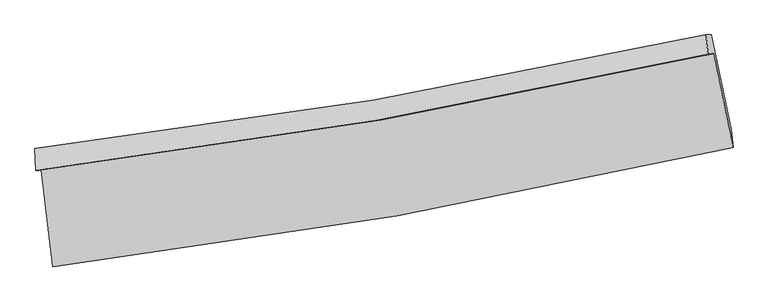
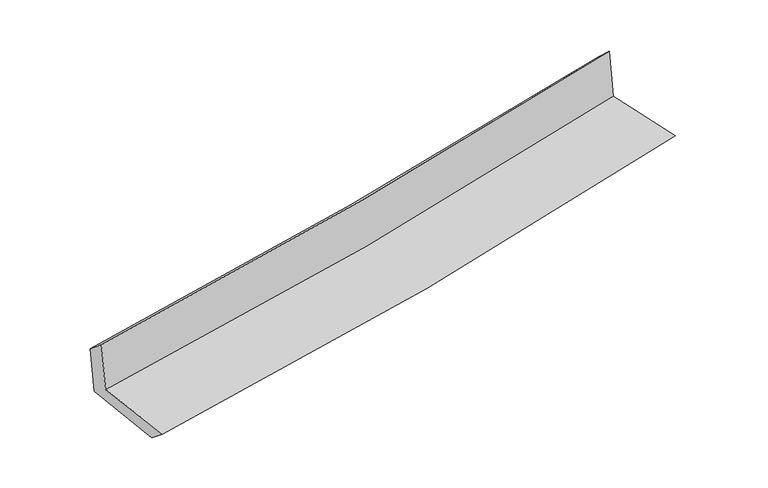
"""IFC4 building model written with IfcOpenShell, lengths in millimetres: proxy geometry."""

from ifc_helpers import new_model, si_unit, frame, origin, place, context, project, spatial, source, transform, mapped, element, save
from ifc_brep_helpers import plane_surface, spline_curve, spline_surface, advanced_brep


def generic_models_c8413103(model_context):
    return source(origin(), model_context, "Body", "AdvancedBrep", [
        advanced_brep(
        [(-2337.2301636, -1879.818896, 1668.5165101), (-2259.5818909, -2546.9088353, 1662.7786805), (2404.9705802, -1725.6045854, 2107.3768632), (2271.9308645, -1082.840967, 2107.5652674), (-2374.6729914, -1884.5106711, 2072.8382052), (2234.216114, -1087.5765063, 2511.8611782), (-2380.6637021, -1733.4316843, 1950.7217803), (2218.8751233, -953.6333993, 2382.522325), (-2344.8246576, -1733.5304396, 1569.3651964), (2254.9309401, -953.6271346, 2005.7856646), (-2264.958908, -2404.3252071, 1544.582394), (2391.5883141, -1605.2081532, 1986.8647259)],
        [
            (0, 1),
            (1, 2, spline_curve(3, [(-2259.5818909, -2546.9088353, 1662.7786805), (-1469.638886889, -2450.390344377, 1733.64429887), (-683.574587307, -2333.138374637, 1806.367503121), (871.181463425, -2058.863685397, 1954.612285793), (1639.967987556, -1902.347571821, 2030.08847618), (2404.9705802, -1725.6045854, 2107.3768632)], [4, 2, 4], [0.0, 7.806326991321767, 15.516693480002559])),
            (2, 3),
            (3, 0, spline_curve(3, [(2271.9308645, -1082.840967, 2107.5652674), (1515.5492591, -1253.497257754, 2031.184928699), (755.658922797, -1404.94900522, 1956.622320427), (-780.640206206, -1671.089315653, 1810.227207271), (-1557.136879321, -1785.296877889, 1738.440229806), (-2337.2301636, -1879.818896, 1668.5165101)], [4, 2, 4], [0.0, 7.710366488680791, 15.516693480002559])),
            (4, 0),
            (3, 5),
            (5, 4, spline_curve(3, [(2234.216114, -1087.5765063, 2511.8611782), (1477.266058438, -1258.300405262, 2442.082126072), (717.112120381, -1409.782564003, 2370.8426955), (-819.104002854, -1675.909217611, 2224.538281311), (-1595.246433457, -1790.071780836, 2149.436720902), (-2374.6729914, -1884.5106711, 2072.8382052)], [4, 2, 4], [0.0, 7.661882539740322, 15.41912216798856])),
            (6, 4),
            (5, 7),
            (7, 6, spline_curve(3, [(2218.8751233, -953.6333993, 2382.522325), (1463.025022755, -1122.989345382, 2318.745638562), (704.194045624, -1272.372915444, 2251.120399055), (-828.910903138, -1532.805908842, 2107.283275519), (-1603.259534618, -1643.355100576, 2030.97500023), (-2380.6637021, -1733.4316843, 1950.7217803)], [4, 2, 4], [0.0, 7.651429016161481, 15.39808501996233])),
            (8, 6),
            (7, 9),
            (9, 8, spline_curve(3, [(2254.9309401, -953.6271346, 2005.7856646), (1499.835536935, -1123.006217882, 1932.92985568), (741.366400349, -1272.410071957, 1860.356734284), (-791.800966276, -1532.878143464, 1714.876164461), (-1566.583695822, -1643.442058009, 1641.975796807), (-2344.8246576, -1733.5304396, 1569.3651964)], [4, 2, 4], [0.0, 7.641691697928851, 15.378489196267727])),
            (10, 8),
            (9, 11),
            (11, 10, spline_curve(3, [(2391.5883141, -1605.2081532, 1986.8647259), (1626.223263939, -1771.65445222, 1913.264360003), (857.913268736, -1921.164248171, 1839.834192473), (-694.195378777, -2187.960794488, 1692.402485577), (-1478.067790924, -2304.82334974, 1618.405209265), (-2264.958908, -2404.3252071, 1544.582394)], [4, 2, 4], [0.0, 7.690243494786987, 15.47619704852832])),
            (1, 10),
            (11, 2),
        ],
        [
            spline_surface(3, 3, [[(-2337.2301636, -1879.818896, 1668.5165101), (-1557.136879422, -1785.296877818, 1738.440229871), (-780.640206228, -1671.089315571, 1810.227207361), (755.658922818, -1404.949005301, 1956.622320338), (1515.549258974, -1253.497257845, 2031.184928633), (2271.9308645, -1082.840967, 2107.5652674)], [(-2311.347406041, -2102.182209123, 1666.603900229), (-1527.97088189, -2006.994700043, 1736.84158624), (-748.284999921, -1891.772335274, 1808.940639256), (794.166436323, -1622.920565302, 1955.95230886), (1557.02216848, -1469.780695817, 2030.819444453), (2316.277436388, -1297.095506472, 2107.502466003)], [(-2285.464648459, -2324.545522177, 1664.691290371), (-1498.804884336, -2228.692522198, 1735.242942623), (-715.929793568, -2112.455355003, 1807.654071133), (832.673949875, -1840.892125328, 1955.282297363), (1598.495078023, -1686.064133773, 2030.453960266), (2360.624008312, -1511.350045928, 2107.439664597)], [(-2259.5818909, -2546.9088353, 1662.7786805), (-1469.638886804, -2450.390344423, 1733.644298992), (-683.574587262, -2333.138374706, 1806.367503028), (871.18146338, -2058.863685329, 1954.612285885), (1639.967987529, -1902.347571746, 2030.088476086), (2404.9705802, -1725.6045854, 2107.3768632)]], [4, 4], [4, 2, 4], [0.0, 2.1868441708544366], [0.0, 7.806326991321767, 15.516693480002559]),
            spline_surface(3, 3, [[(-2374.6729914, -1884.5106711, 2072.8382052), (-1595.246433389, -1790.071780786, 2149.436720912), (-819.104002949, -1675.909217739, 2224.538281365), (717.112120474, -1409.782563877, 2370.842695447), (1477.266058494, -1258.300405314, 2442.082126005), (2234.216114, -1087.5765063, 2511.8611782)], [(-2362.192048809, -1882.946746047, 1938.064306831), (-1582.543248742, -1788.480146443, 2012.437890562), (-806.282737362, -1674.302583679, 2086.434590009), (729.961054602, -1408.171377681, 2232.769237056), (1490.027125316, -1256.69935615, 2305.116393542), (2246.787697496, -1085.997993193, 2377.095874594)], [(-2349.711106191, -1881.382821053, 1803.290408469), (-1569.840064068, -1786.888512161, 1875.439060221), (-793.461471815, -1672.695949631, 1948.330898717), (742.80998869, -1406.560191497, 2094.695778729), (1502.788192151, -1255.098307008, 2168.150661096), (2259.359281004, -1084.419480107, 2242.330571006)], [(-2337.2301636, -1879.818896, 1668.5165101), (-1557.136879422, -1785.296877818, 1738.440229871), (-780.640206228, -1671.089315571, 1810.227207361), (755.658922818, -1404.949005301, 1956.622320338), (1515.549258974, -1253.497257845, 2031.184928633), (2271.9308645, -1082.840967, 2107.5652674)]], [4, 4], [4, 2, 4], [0.0, 1.3650902301645402], [0.0, 7.757239628248238, 15.41912216798856]),
            spline_surface(3, 3, [[(-2380.6637021, -1733.4316843, 1950.7217803), (-1603.259534613, -1643.355100674, 2030.975000332), (-828.910903203, -1532.805908928, 2107.28327563), (704.194045688, -1272.372915359, 2251.120398946), (1463.025022704, -1122.989345428, 2318.745638535), (2218.8751233, -953.6333993, 2382.522325)], [(-2378.666798524, -1783.791346584, 1991.427255274), (-1600.588500863, -1692.260660729, 2070.462240533), (-825.641936441, -1580.507011883, 2146.368277555), (708.500070627, -1318.17613155, 2291.027831127), (1467.772034626, -1168.093032074, 2359.85780102), (2223.988786859, -998.281101651, 2425.635276062)], [(-2376.669894976, -1834.151008816, 2032.132730226), (-1597.917467139, -1741.166220731, 2109.949480711), (-822.372969711, -1628.208114784, 2185.45327944), (712.806095535, -1363.979347686, 2330.935263266), (1472.519046572, -1213.196718668, 2400.96996352), (2229.102450441, -1042.928803949, 2468.748227138)], [(-2374.6729914, -1884.5106711, 2072.8382052), (-1595.246433389, -1790.071780786, 2149.436720912), (-819.104002949, -1675.909217739, 2224.538281365), (717.112120474, -1409.782563877, 2370.842695447), (1477.266058494, -1258.300405314, 2442.082126005), (2234.216114, -1087.5765063, 2511.8611782)]], [4, 4], [4, 2, 4], [0.0, 0.6035894942798319], [0.0, 7.746656003800849, 15.39808501996233]),
            spline_surface(3, 3, [[(-2344.8246576, -1733.5304396, 1569.3651964), (-1566.583695837, -1643.442058022, 1641.975796709), (-791.80096632, -1532.878143569, 1714.876164547), (741.366400392, -1272.410071853, 1860.356734199), (1499.835536837, -1123.006217993, 1932.929855738), (2254.9309401, -953.6271346, 2005.7856646)], [(-2356.771005788, -1733.497521141, 1696.484057707), (-1578.80897545, -1643.413072214, 1771.642197924), (-804.170945298, -1532.854065344, 1845.678534885), (728.975615473, -1272.397686343, 1990.611289091), (1487.56536549, -1123.000593795, 2061.535116673), (2242.912334531, -953.629222824, 2131.364551402)], [(-2368.717353912, -1733.464602759, 1823.602918993), (-1591.034255, -1643.384086482, 1901.308599117), (-816.540924224, -1532.829987154, 1976.480905292), (716.584830607, -1272.385300868, 2120.865844053), (1475.295194051, -1122.994969626, 2190.1403776), (2230.893728869, -953.631311076, 2256.943438198)], [(-2380.6637021, -1733.4316843, 1950.7217803), (-1603.259534613, -1643.355100674, 2030.975000332), (-828.910903203, -1532.805908928, 2107.28327563), (704.194045688, -1272.372915359, 2251.120398946), (1463.025022704, -1122.989345428, 2318.745638535), (2218.8751233, -953.6333993, 2382.522325)]], [4, 4], [4, 2, 4], [0.0, 1.2905263515652448], [0.0, 7.736797498338876, 15.378489196267727]),
            spline_surface(3, 3, [[(-2264.958908, -2404.3252071, 1544.582394), (-1478.067791042, -2304.823349752, 1618.40520932), (-694.195378879, -2187.960794408, 1692.402485634), (857.913268836, -1921.16424825, 1839.834192417), (1626.223264037, -1771.654452296, 1913.264360069), (2391.5883141, -1605.2081532, 1986.8647259)], [(-2291.580824508, -2180.726951285, 1552.843328138), (-1507.573092615, -2084.362919194, 1626.262071788), (-726.730574678, -1969.5999108, 1699.893711965), (819.064312703, -1704.912856123, 1846.675039703), (1584.09402163, -1555.438374203, 1919.819525308), (2346.035856093, -1388.014480342, 1993.171705483)], [(-2318.202741092, -1957.128695415, 1561.104262262), (-1537.078394264, -1863.90248858, 1634.118934241), (-759.265770521, -1751.239027177, 1707.384938216), (780.215356525, -1488.66146398, 1853.515886912), (1541.964779245, -1339.222296086, 1926.374690499), (2300.483398107, -1170.820807458, 1999.478685017)], [(-2344.8246576, -1733.5304396, 1569.3651964), (-1566.583695837, -1643.442058022, 1641.975796709), (-791.80096632, -1532.878143569, 1714.876164547), (741.366400392, -1272.410071853, 1860.356734199), (1499.835536837, -1123.006217993, 1932.929855738), (2254.9309401, -953.6271346, 2005.7856646)]], [4, 4], [4, 2, 4], [0.0, 2.1687122372304666], [0.0, 7.785953553741333, 15.47619704852832]),
            spline_surface(3, 3, [[(-2259.5818909, -2546.9088353, 1662.7786805), (-1469.638886804, -2450.390344423, 1733.644298992), (-683.574587262, -2333.138374706, 1806.367503028), (871.18146338, -2058.863685329, 1954.612285885), (1639.967987529, -1902.347571746, 2030.088476086), (2404.9705802, -1725.6045854, 2107.3768632)], [(-2261.374229929, -2499.38095922, 1623.379918321), (-1472.448521546, -2401.868012853, 1695.23126909), (-687.11485114, -2284.745847941, 1768.379163895), (866.758731859, -2012.96387297, 1916.352921394), (1635.386413033, -1858.783198581, 1991.14710407), (2400.509824835, -1685.472441319, 2067.206150756)], [(-2263.166568971, -2451.85308318, 1583.981156179), (-1475.2581563, -2353.345681323, 1656.818239223), (-690.655115, -2236.353321173, 1730.390824767), (862.336000357, -1967.064060609, 1878.093556907), (1630.804838533, -1815.21882546, 1952.205732085), (2396.049069465, -1645.340297281, 2027.035438344)], [(-2264.958908, -2404.3252071, 1544.582394), (-1478.067791042, -2304.823349752, 1618.40520932), (-694.195378879, -2187.960794408, 1692.402485634), (857.913268836, -1921.16424825, 1839.834192417), (1626.223264037, -1771.654452296, 1913.264360069), (2391.5883141, -1605.2081532, 1986.8647259)]], [4, 4], [4, 2, 4], [0.0, 0.5981561571839603], [0.0, 7.844859263569783, 15.593284360480041]),
            plane_surface(frame((2296.0853227, -1234.7484576, 2183.6626707), z_axis=(0.974976763208959, 0.2017740999492261, 0.09331411357485843), x_axis=(-0.09527030002342061, -1.6553144762072818e-05, 0.9954514401312808))),
            plane_surface(frame((-2326.9887189, -2030.4209556, 1744.8004611), z_axis=(-0.989087583005635, -0.11432906348543384, -0.09292264732892068), x_axis=(-0.11561369110303486, 0.9932575127512081, 0.008543289344025968))),
        ],
        [
            (0, [[1, 2, 3, 4]]),
            (1, [[5, -4, 6, 7]]),
            (2, [[8, -7, 9, 10]]),
            (3, [[11, -10, 12, 13]]),
            (4, [[14, -13, 15, 16]]),
            (5, [[17, -16, 18, -2]]),
            (6, [[-12, -9, -6, -3, -18, -15]]),
            (7, [[-1, -5, -8, -11, -14, -17]]),
        ],
    ),
    ])


if __name__ == "__main__":
    model = new_model("IFC4")
    model_context = context("Model", 3, world=origin())
    ifc_project = project(units=[si_unit("LENGTHUNIT", "METRE", prefix="MILLI")], contexts=[model_context])
    site = spatial("IfcSite", under=ifc_project)
    building = spatial("IfcBuilding", under=site)
    placement = place(None, origin())
    generic_models_shape = generic_models_c8413103(model_context)
    element("IfcBuildingElementProxy", 1, Name="Generic Models", at=placement, inside=building, context=model_context, shape_type="MappedRepresentation", body=[
        mapped(generic_models_shape, transform((0.0, 0.0, 0.0), x_axis=(1.0, 0.0, 0.0), y_axis=(0.0, 1.0, 0.0), z_axis=(0.0, 0.0, 1.0))),
    ])
    save(model, "model.ifc")
